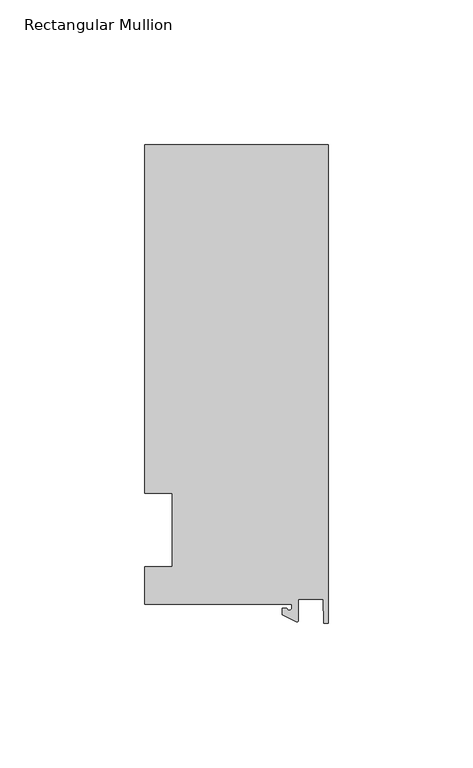
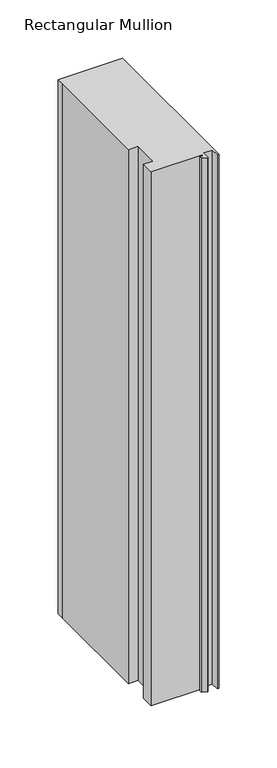
"""IFC4 building model written with IfcOpenShell, lengths in millimetres: member geometry, Rectangular Mullion."""

import ifcopenshell
import ifcopenshell.guid

model = None  # the IFC model being written
_history = None  # IfcOwnerHistory: only IFC2X3 demands one
_inside = {}  # id of a spatial element -> (the spatial element, [elements in it])
_under = {}  # id of a project, library or spatial element -> (it, [spatial elements below it])
_declared = {}  # id of a project -> (the project, [libraries it declares])
_typed = {}  # id of a type object -> (the type object, [elements of that type])
_made_of = {}  # id of a material, layer set ... -> (it, [elements and type objects made of it])


def new_model(schema):
    """Start an empty IFC model of exactly this schema.

    Asked for "IFC4X3", IfcOpenShell would pick the latest addendum, in which some entities
    have other attributes; the version numbers below select the first issue.
    IFC2X3 requires an IfcOwnerHistory on every rooted entity: one is made here for all.
    """
    global model, _history
    if schema == "IFC4X3":
        model = ifcopenshell.file(schema_version=(4, 3, 0, 0))
    else:
        model = ifcopenshell.file(schema=schema)
    _inside.clear()
    _under.clear()
    _declared.clear()
    _typed.clear()
    _made_of.clear()
    _history = None
    if model.schema == "IFC2X3":
        org = make("IfcOrganization", Name="unknown")
        user = make(
            "IfcPersonAndOrganization",
            ThePerson=make("IfcPerson", FamilyName="unknown"),
            TheOrganization=org,
        )
        app = make(
            "IfcApplication",
            ApplicationDeveloper=org,
            Version="unknown",
            ApplicationFullName="unknown",
            ApplicationIdentifier="unknown",
        )
        _history = make(
            "IfcOwnerHistory",
            OwningUser=user,
            OwningApplication=app,
            ChangeAction="ADDED",
            CreationDate=0,
        )
    return model


def make(cls, **values):
    """One entity of the class cls with the attributes given. An attribute that is None is left unset."""
    return model.create_entity(
        cls, **{name: value for name, value in values.items() if value is not None}
    )


def rooted(cls, **values):
    """An entity with a GlobalId (a new one), such as an element, a storey or a relation."""
    return make(cls, GlobalId=ifcopenshell.guid.new(), OwnerHistory=_history, **values)


def si_unit(unit_type, name, prefix=None):
    """IfcSIUnit, for example si_unit("LENGTHUNIT", "METRE", prefix="MILLI")."""
    return make("IfcSIUnit", UnitType=unit_type, Prefix=prefix, Name=name)


def assignment(units):
    """IfcUnitAssignment: the units of a project."""
    return None if units is None else make("IfcUnitAssignment", Units=units)


def point(xyz):
    """IfcCartesianPoint."""
    return None if xyz is None else make("IfcCartesianPoint", Coordinates=xyz)


def direction(xyz):
    """IfcDirection."""
    return None if xyz is None else make("IfcDirection", DirectionRatios=xyz)


def frame(location, z_axis=None, x_axis=None):
    """IfcAxis2Placement3D, a coordinate frame: its origin and axes. An axis left out is left unset."""
    return make(
        "IfcAxis2Placement3D",
        Location=point(location),
        Axis=direction(z_axis),
        RefDirection=direction(x_axis),
    )


def frame_2d(location, x_axis=None):
    """IfcAxis2Placement2D, a coordinate frame in the plane: its origin and x axis."""
    return make(
        "IfcAxis2Placement2D", Location=point(location), RefDirection=direction(x_axis)
    )


def origin():
    """The frame at (0, 0, 0) with its axes left unset."""
    return frame((0.0, 0.0, 0.0))


def place(relative_to, where):
    """IfcLocalPlacement: puts the frame where relative to a parent placement (None: the world)."""
    return make(
        "IfcLocalPlacement", PlacementRelTo=relative_to, RelativePlacement=where
    )


def context(
    kind, dimensions, precision=None, world=None, true_north=None, identifier=None
):
    """IfcGeometricRepresentationContext, for example the 3D "Model" context."""
    return make(
        "IfcGeometricRepresentationContext",
        ContextIdentifier=identifier,
        ContextType=kind,
        CoordinateSpaceDimension=dimensions,
        Precision=precision,
        WorldCoordinateSystem=world,
        TrueNorth=true_north,
    )


def project(units=None, contexts=None):
    """IfcProject with its units and contexts."""
    return rooted(
        "IfcProject",
        Name="project",
        RepresentationContexts=contexts,
        UnitsInContext=assignment(units),
    )


def spatial(cls, under=None, at=None, **own):
    """A site, building, storey or space (cls), placed at a placement, below another one or the project."""
    s = rooted(cls, ObjectPlacement=at, **own)
    if under is not None:
        _under.setdefault(under.id(), (under, []))[1].append(s)
    return s


def polyline(points):
    """IfcPolyline through the points."""
    return make("IfcPolyline", Points=[point(p) for p in points])


def circle_curve(where, radius):
    """IfcCircle in the frame where."""
    return make("IfcCircle", Position=where, Radius=radius)


def trimmed(basis, trim1, trim2, sense, master):
    """IfcTrimmedCurve: the piece of a basis curve between two trims."""
    return make(
        "IfcTrimmedCurve",
        BasisCurve=basis,
        Trim1=trim1,
        Trim2=trim2,
        SenseAgreement=sense,
        MasterRepresentation=master,
    )


def segment(curve, same_sense, transition):
    """IfcCompositeCurveSegment."""
    return make(
        "IfcCompositeCurveSegment",
        Transition=transition,
        SameSense=same_sense,
        ParentCurve=curve,
    )


def composite_curve(segments, self_intersect=None):
    """IfcCompositeCurve: segments joined end to end."""
    return make("IfcCompositeCurve", Segments=segments, SelfIntersect=self_intersect)


def outline(outer, holes=None, kind="AREA"):
    """IfcArbitraryClosedProfileDef: a profile drawn as a closed curve; with holes, ...WithVoids."""
    if holes is None:
        return make("IfcArbitraryClosedProfileDef", ProfileType=kind, OuterCurve=outer)
    return make(
        "IfcArbitraryProfileDefWithVoids",
        ProfileType=kind,
        OuterCurve=outer,
        InnerCurves=holes,
    )


def extrude(swept, where, along, depth):
    """IfcExtrudedAreaSolid: the profile swept, set in the frame where, extruded along a direction by depth."""
    return make(
        "IfcExtrudedAreaSolid",
        SweptArea=swept,
        Position=where,
        ExtrudedDirection=direction(along),
        Depth=depth,
    )


def shape(context_of_items, identifier, shape_type, items):
    """IfcShapeRepresentation: the items that make up one representation, for example the "Body"."""
    return make(
        "IfcShapeRepresentation",
        ContextOfItems=context_of_items,
        RepresentationIdentifier=identifier,
        RepresentationType=shape_type,
        Items=items,
    )


def source(mapping_origin, context_of_items, identifier, shape_type, items):
    """IfcRepresentationMap: a shape defined once, which mapped items show again and again."""
    return make(
        "IfcRepresentationMap",
        MappingOrigin=mapping_origin,
        MappedRepresentation=shape(context_of_items, identifier, shape_type, items),
    )


def transform(
    local_origin,
    x_axis=None,
    y_axis=None,
    z_axis=None,
    scale=None,
    scale2=None,
    scale3=None,
    uniform=True,
):
    """IfcCartesianTransformationOperator3D, or its non-uniform kind. x_axis, y_axis, z_axis: its Axis1, 2, 3."""
    if uniform:
        return make(
            "IfcCartesianTransformationOperator3D",
            Axis1=direction(x_axis),
            Axis2=direction(y_axis),
            LocalOrigin=point(local_origin),
            Scale=scale,
            Axis3=direction(z_axis),
        )
    return make(
        "IfcCartesianTransformationOperator3DnonUniform",
        Axis1=direction(x_axis),
        Axis2=direction(y_axis),
        LocalOrigin=point(local_origin),
        Scale=scale,
        Axis3=direction(z_axis),
        Scale2=scale2,
        Scale3=scale3,
    )


def mapped(mapping_source, mapping_target):
    """IfcMappedItem: shows the shape of a source again, moved by a transform."""
    return make(
        "IfcMappedItem", MappingSource=mapping_source, MappingTarget=mapping_target
    )


def made_of(thing, what):
    """Note that an element or type object is made of a material, layer set ...; save() writes the relation."""
    if what is not None:
        _made_of.setdefault(what.id(), (what, []))[1].append(thing)
    return thing


def element(
    cls,
    number,
    at=None,
    inside=None,
    cuts=None,
    type_object=None,
    material=None,
    context=None,
    identifier="Body",
    shape_type=None,
    held_by="IfcProductDefinitionShape",
    body=None,
    shapes=None,
    **own,
):
    """One element of the class cls, such as IfcWall. Its Tag is "e" and its number.

    at: its placement. inside: the storey or other place that contains it. cuts: it is an
    opening in that element (IfcRelVoidsElement). A single representation is given by context,
    identifier, shape_type and body (its items); several are given by shapes. held_by: the class
    of the entity that holds the representations. save() writes the other relations.
    """
    e = rooted(cls, Tag="e%d" % number, ObjectPlacement=at, **own)
    if body is not None:
        shapes = [shape(context, identifier, shape_type, body)]
    if shapes is not None:
        e.Representation = make(held_by, Representations=shapes)
    if inside is not None:
        _inside.setdefault(inside.id(), (inside, []))[1].append(e)
    if cuts is not None:
        rooted(
            "IfcRelVoidsElement", RelatingBuildingElement=cuts, RelatedOpeningElement=e
        )
    if type_object is not None:
        _typed.setdefault(type_object.id(), (type_object, []))[1].append(e)
    return made_of(e, material)


def aggregate(whole, parts):
    """IfcRelAggregates: a whole, such as a stair, and the parts it consists of."""
    return rooted("IfcRelAggregates", RelatingObject=whole, RelatedObjects=parts)


def save(model, path):
    """Write the relations noted so far, then the file.

    IfcRelAggregates (storeys below a building ...), IfcRelContainedInSpatialStructure (elements
    in a storey), IfcRelDefinesByType, IfcRelAssociatesMaterial and IfcRelDeclares: one each for
    every whole, place, type object, material and project.
    """
    for whole, parts in _under.values():
        aggregate(whole, parts)
    for where, things in _inside.values():
        rooted(
            "IfcRelContainedInSpatialStructure",
            RelatedElements=things,
            RelatingStructure=where,
        )
    for kind, things in _typed.values():
        rooted("IfcRelDefinesByType", RelatedObjects=things, RelatingType=kind)
    for what, things in _made_of.values():
        rooted("IfcRelAssociatesMaterial", RelatedObjects=things, RelatingMaterial=what)
    for by, libraries in _declared.values():
        rooted("IfcRelDeclares", RelatingContext=by, RelatedDefinitions=libraries)
    model.write(path)


def rectangular_mullion_141e2645(model_context):
    return source(origin(), model_context, "Body", "SweptSolid", [
        extrude(outline(composite_curve([segment(polyline([(-12.6173814, -25.796875), (-63.5, -25.796875), (-63.5, -12.7), (-53.975, -12.7), (-53.975, 12.7), (-63.5, 12.7), (-63.5, 125.8114907), (-63.5, 133.34365), (0.0, 133.34365), (0.0, -32.288874), (-1.5658966, -32.288874), (-1.7144124, -23.9227662), (-10.2297814, -23.9227662), (-10.2297814, -31.2414327)]), True, "CONTINUOUS"), segment(trimmed(circle_curve(frame_2d((-10.7377814, -31.2414327)), 0.508), [point((-10.2297814, -31.2414327))], [point((-10.9524715, -31.7018371))], False, "CARTESIAN"), True, "CONTINUOUS"), segment(polyline([(-10.9524715, -31.7018371), (-15.7923814, -29.44495), (-15.7923814, -27.0827507), (-14.2048814, -27.0827507)]), True, "CONTINUOUS"), segment(trimmed(circle_curve(frame_2d((-13.4111314, -27.0827507)), 0.79375), [point((-14.2048814, -27.0827507))], [point((-12.6173814, -27.0827507))], True, "CARTESIAN"), True, "CONTINUOUS"), segment(polyline([(-12.6173814, -27.0827507), (-12.6173814, -25.796875)]), True, "CONTINUOUS")], self_intersect=False)), frame((0.0, 0.0, -558.8), z_axis=(0.0, 0.0, 1.0), x_axis=(1.0, 0.0, 0.0)), (0.0, 0.0, 1.0), 558.8),
    ])


if __name__ == "__main__":
    model = new_model("IFC4")
    model_context = context("Model", 3, world=origin())
    ifc_project = project(units=[si_unit("LENGTHUNIT", "METRE", prefix="MILLI")], contexts=[model_context])
    site = spatial("IfcSite", under=ifc_project)
    building = spatial("IfcBuilding", under=site)
    placement = place(None, origin())
    rectangular_mullion_shape = rectangular_mullion_141e2645(model_context)
    element("IfcMember", 1, ObjectType="Rectangular Mullion", at=placement, inside=building, context=model_context, shape_type="MappedRepresentation", body=[
        mapped(rectangular_mullion_shape, transform((0.0, 0.0, 0.0), x_axis=(1.0, 0.0, 0.0), y_axis=(0.0, 1.0, 0.0), z_axis=(0.0, 0.0, 1.0))),
    ])
    save(model, "model.ifc")
